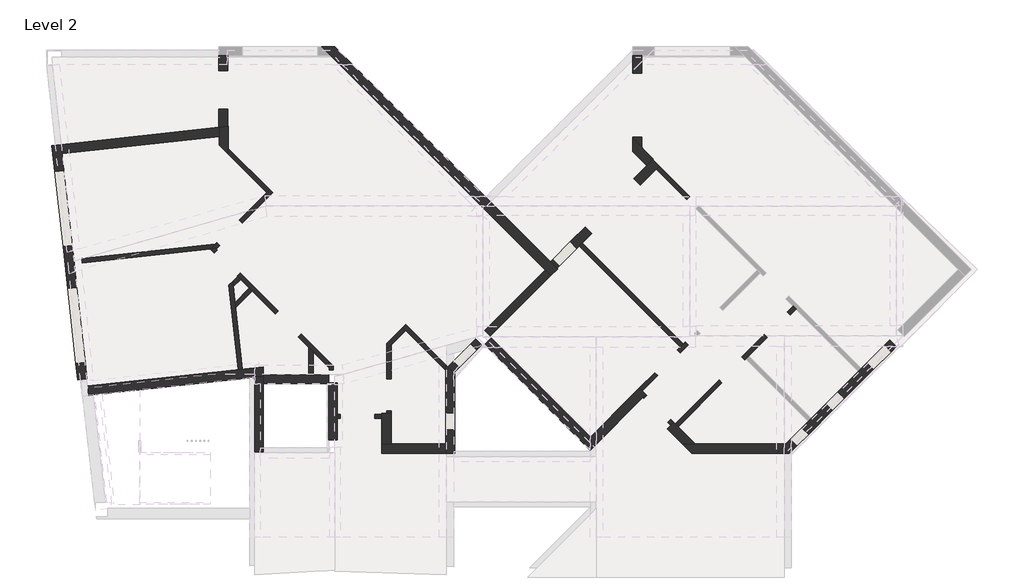
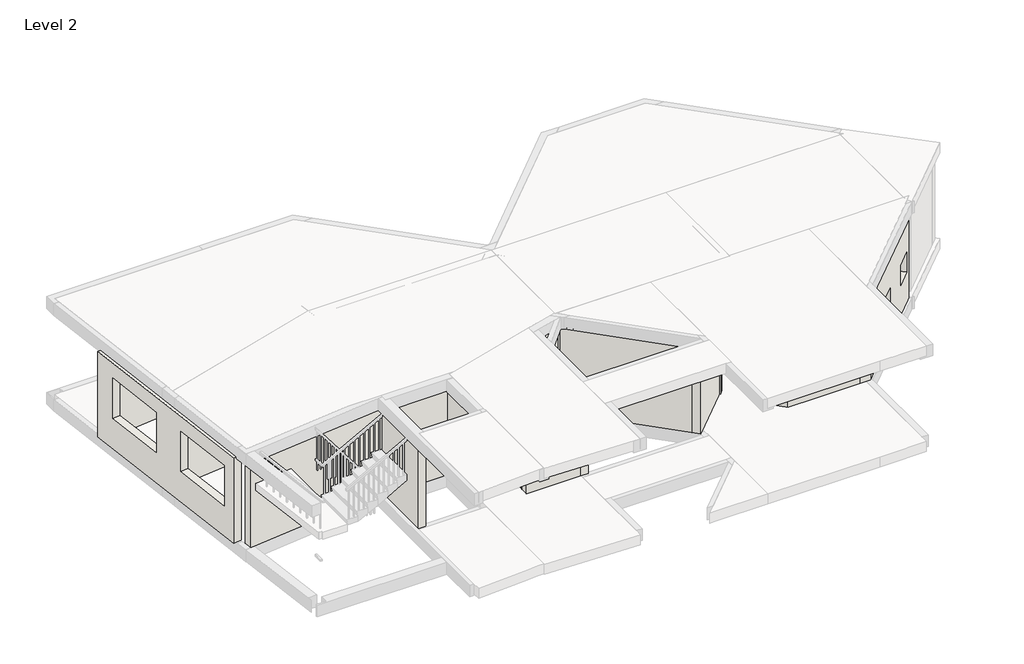
# One storey, part 1 of 5: 41 walls.
"""IFC4 building model written with IfcOpenShell, lengths in millimetres."""

from ifc_helpers import new_model, si_unit, frame, origin, place, context, project, spatial, polyline, outline, extrude, faceted_brep, element, save

model = new_model("IFC4")

# Units and contexts
model_context = context("Model", 3, world=origin())
ifc_project = project(units=[si_unit("LENGTHUNIT", "METRE", prefix="MILLI")], contexts=[model_context])

# Site, building, storey
site = spatial("IfcSite", under=ifc_project)
building = spatial("IfcBuilding", under=site)
storey = spatial("IfcBuildingStorey", under=building, Name="Level 2", Elevation=4250.0)

# Walls
placement = place(None, origin())
element("IfcWall", 1, ObjectType="Generic - 100mm 2", at=placement, inside=storey, context=model_context, shape_type="Brep", body=[
    faceted_brep([(9297.1083101, -7295.310753, 4250.0), (8344.8432612, -6343.045704, 4250.0), (8344.8432612, -6343.045704, 6800.0), (9297.1083101, -7295.310753, 6800.0), (9297.1083101, -7436.7321093, 4250.0), (9297.1083101, -7436.7321093, 6800.0), (8344.8432612, -6484.4670603, 6800.0), (8274.132583, -6413.7563821, 6800.0), (8274.132583, -6413.7563821, 4250.0), (8344.8432612, -6484.4670603, 4250.0)], [[[0, 1, 2, 3]], [[4, 5, 6, 7, 8, 9]], [[1, 0, 4, 9, 8]], [[3, 2, 7, 6, 5]], [[0, 3, 5, 4]], [[2, 1, 8, 7]]]),
])
element("IfcWall", 2, ObjectType="Generic - 100mm 2", at=placement, inside=storey, context=model_context, shape_type="Brep", body=[
    faceted_brep([(8274.132583, -6413.7563821, 4250.0), (7902.0578038, -6785.8311614, 4250.0), (7902.0578038, -6785.8311614, 6800.0), (8274.132583, -6413.7563821, 6800.0), (8344.8432612, -6484.4670603, 4250.0), (8344.8432612, -6484.4670603, 6800.0), (8002.0578038, -6827.2525176, 6800.0), (7902.0578038, -6927.2525176, 6800.0), (7902.0578038, -6927.2525176, 4250.0), (8002.0578038, -6827.2525176, 4250.0)], [[[0, 1, 2, 3]], [[4, 5, 6, 7, 8, 9]], [[1, 0, 4, 9, 8]], [[3, 2, 7, 6, 5]], [[0, 3, 5, 4]], [[2, 1, 8, 7]]]),
])
element("IfcWall", 3, ObjectType="Generic - 100mm 2", at=placement, inside=storey, context=model_context, shape_type="Brep", body=[
    faceted_brep([(7902.0578038, -8390.4135995, 6384.0), (7902.0578038, -8390.4135995, 4250.0), (7902.0578038, -8450.4135995, 4250.0), (7902.0578038, -8450.4135995, 6800.0), (7902.0578038, -6927.2525176, 6800.0), (7902.0578038, -6927.2525176, 4250.0), (7902.0578038, -7628.4135995, 4250.0), (7902.0578038, -7628.4135995, 6384.0), (8002.0578038, -8450.4135995, 4250.0), (8002.0578038, -8390.4135995, 4250.0), (8002.0578038, -8390.4135995, 6384.0), (8002.0578038, -7628.4135995, 6384.0), (8002.0578038, -7628.4135995, 4250.0), (8002.0578038, -6827.2525176, 4250.0), (8002.0578038, -6827.2525176, 6800.0), (8002.0578038, -8450.4135995, 6800.0)], [[[0, 1, 2, 3, 4, 5, 6, 7]], [[8, 9, 10, 11, 12, 13, 14, 15]], [[6, 5, 13, 12]], [[2, 1, 9, 8]], [[3, 2, 8, 15]], [[4, 3, 15, 14]], [[5, 4, 14, 13]], [[12, 11, 7, 6]], [[10, 9, 1, 0]], [[11, 10, 0, 7]]]),
])
element("IfcWall", 4, ObjectType="Generic - 100mm 2", at=placement, inside=storey, context=model_context, shape_type="Brep", body=[
    faceted_brep([(4463.6501436, -3919.476686, 6384.0), (4463.6501436, -3919.476686, 4250.0), (5184.8990604, -3198.2277691, 4250.0), (5184.8990604, -3198.2277691, 6800.0), (3862.5779702, -4520.5488594, 6800.0), (3862.5779702, -4520.5488594, 4250.0), (3924.8347764, -4458.2920532, 4250.0), (3924.8347764, -4458.2920532, 6384.0), (5114.1883823, -3127.517091, 4250.0), (5043.4777042, -3198.2277691, 4250.0), (4392.9394655, -3848.7660078, 4250.0), (4392.9394655, -3848.7660078, 6384.0), (3854.1240982, -4387.5813751, 6384.0), (3854.1240982, -4387.5813751, 4250.0), (3816.7212432, -4424.9842301, 4250.0), (3703.7066395, -4537.9988339, 4250.0), (3703.7066395, -4537.9988339, 6800.0), (3816.7212432, -4424.9842301, 6800.0), (5043.4777042, -3198.2277691, 6800.0), (5114.1883823, -3127.517091, 6800.0), (3824.4069755, -4524.7414527, 4250.0), (3824.4069755, -4524.7414527, 6800.0)], [[[0, 1, 2, 3, 4, 5, 6, 7]], [[8, 9, 10, 11, 12, 13, 14, 15, 16, 17, 18, 19]], [[6, 5, 20, 15, 14, 13]], [[2, 1, 10, 9, 8]], [[4, 3, 19, 18, 17, 16, 21]], [[3, 2, 8, 19]], [[5, 4, 21, 16, 15, 20]], [[13, 12, 7, 6]], [[11, 10, 1, 0]], [[12, 11, 0, 7]]]),
])
element("IfcWall", 5, ObjectType="Generic - 100mm 2", at=placement, inside=storey, context=model_context, shape_type="SweptSolid", body=[
    extrude(outline(polyline([(4135.2439393, -2148.572648), (5114.1883823, -3127.517091), (5043.4777042, -3198.2277691), (4135.2439393, -2289.9940042), (4135.2439393, -2148.572648)])), frame((0.0, 0.0, 4250.0), z_axis=(0.0, 0.0, 1.0), x_axis=(1.0, 0.0, 0.0)), (0.0, 0.0, 1.0), 2550.0),
])
element("IfcWall", 6, ObjectType="Generic - 100mm 2", at=placement, inside=storey, context=model_context, shape_type="Brep", body=[
    faceted_brep([(4464.964712, -7402.0054816, 4250.0), (4304.2548789, -5938.8408743, 4250.0), (4290.2588445, -5811.4155525, 4250.0), (4249.5399575, -5440.6950237, 4250.0), (4235.5439231, -5313.2697019, 4250.0), (4235.5439231, -5313.2697019, 6800.0), (4249.5399575, -5440.6950237, 6800.0), (4290.2588445, -5811.4155525, 6800.0), (4304.2548789, -5938.8408743, 6800.0), (4464.964712, -7402.0054816, 6800.0), (4365.5625184, -7412.9235354, 4250.0), (4365.5625184, -7412.9235354, 6800.0), (4144.8987312, -5403.9148938, 6800.0), (4144.8987312, -5403.9148938, 4250.0)], [[[0, 1, 2, 3, 4, 5, 6, 7, 8, 9]], [[10, 11, 12, 13]], [[4, 3, 2, 1, 0, 10, 13]], [[9, 8, 7, 6, 5, 12, 11]], [[0, 9, 11, 10]], [[5, 4, 13, 12]]]),
])
element("IfcWall", 7, ObjectType="Generic - 100mm 2", at=placement, inside=storey, context=model_context, shape_type="SweptSolid", body=[
    extrude(outline(polyline([(4424.2395739, -5265.9954073), (4249.5399575, -5440.6950237), (4235.5439231, -5313.2697019), (4353.5288957, -5195.2847292), (4424.2395739, -5265.9954073)])), frame((0.0, 0.0, 4250.0), z_axis=(0.0, 0.0, 1.0), x_axis=(1.0, 0.0, 0.0)), (0.0, 0.0, 1.0), 2550.0),
])
element("IfcWall", 8, ObjectType="Generic - 100mm 2", at=placement, inside=storey, context=model_context, shape_type="Brep", body=[
    faceted_brep([(4339.3867601, -5181.1425936, 4250.0), (4353.5288957, -5195.2847292, 4250.0), (4424.2395739, -5265.9954073, 4250.0), (4629.9592818, -5471.7151152, 4250.0), (4700.6699599, -5542.4257933, 4250.0), (5252.2132492, -6093.9690827, 4250.0), (5252.2132492, -6093.9690827, 6384.0), (5791.0286165, -6632.7844499, 6384.0), (5791.0286165, -6632.7844499, 4250.0), (6046.6810379, -6888.4368714, 4250.0), (6146.6810379, -6988.4368714, 4250.0), (6530.0027398, -7371.7585732, 4250.0), (6530.0027398, -7371.7585732, 6800.0), (6146.6810379, -6988.4368714, 6800.0), (6046.6810379, -6888.4368714, 6800.0), (4700.6699599, -5542.4257933, 6800.0), (4629.9592818, -5471.7151152, 6800.0), (4424.2395739, -5265.9954073, 6800.0), (4353.5288957, -5195.2847292, 6800.0), (3696.9816537, -4538.7374872, 6800.0), (3696.9816537, -4538.7374872, 4250.0), (3800.5713929, -4642.3272263, 4250.0), (3800.5713929, -4642.3272263, 6384.0), (4339.3867601, -5181.1425936, 6384.0), (5322.9239273, -6023.2584045, 6384.0), (5322.9239273, -6023.2584045, 4250.0), (4410.0974382, -5110.4319155, 4250.0), (4410.0974382, -5110.4319155, 6384.0), (3871.282071, -4571.6165482, 6384.0), (3871.282071, -4571.6165482, 4250.0), (3824.4069755, -4524.7414527, 4250.0), (3824.4069755, -4524.7414527, 6800.0), (6530.0027398, -7230.337217, 6800.0), (6530.0027398, -7230.337217, 4250.0), (5861.7392946, -6562.0737718, 4250.0), (5861.7392946, -6562.0737718, 6384.0), (3703.7066395, -4537.9988339, 4250.0), (3703.7066395, -4537.9988339, 6800.0)], [[[0, 1, 2, 3, 4, 5, 6, 7, 8, 9, 10, 11, 12, 13, 14, 15, 16, 17, 18, 19, 20, 21, 22, 23]], [[24, 25, 26, 27, 28, 29, 30, 31, 32, 33, 34, 35]], [[30, 29, 21, 20, 36]], [[34, 33, 11, 10, 9, 8]], [[26, 25, 5, 4, 3, 2, 1, 0]], [[19, 18, 17, 16, 15, 14, 13, 12, 32, 31, 37]], [[20, 19, 37, 31, 30, 36]], [[12, 11, 33, 32]], [[0, 23, 27, 26]], [[22, 21, 29, 28]], [[23, 22, 28, 27]], [[8, 7, 35, 34]], [[6, 5, 25, 24]], [[7, 6, 24, 35]]]),
])
element("IfcWall", 9, ObjectType="Generic - 100mm 2", at=placement, inside=storey, context=model_context, shape_type="SweptSolid", body=[
    extrude(outline(polyline([(4290.2588445, -5811.4155525), (4629.9592818, -5471.7151152), (4700.6699599, -5542.4257933), (4304.2548789, -5938.8408743), (4290.2588445, -5811.4155525)])), frame((0.0, 0.0, 4250.0), z_axis=(0.0, 0.0, 1.0), x_axis=(1.0, 0.0, 0.0)), (0.0, 0.0, 1.0), 2550.0),
])
element("IfcWall", 10, ObjectType="Generic - 100mm 2", at=placement, inside=storey, context=model_context, shape_type="SweptSolid", body=[
    extrude(outline(polyline([(6046.6810379, -7542.9559907), (6046.6810379, -6888.4368714), (6146.6810379, -6988.4368714), (6146.6810379, -7542.9559907), (6046.6810379, -7542.9559907)])), frame((0.0, 0.0, 4250.0), z_axis=(0.0, 0.0, 1.0), x_axis=(1.0, 0.0, 0.0)), (0.0, 0.0, 1.0), 2550.0),
])
element("IfcWall", 11, ObjectType="Generic - 100mm 2", at=placement, inside=storey, context=model_context, shape_type="SweptSolid", body=[
    extrude(outline(polyline([(14879.3413572, -6876.1729501), (12474.5704304, -4471.4020234), (12545.2811085, -4400.6913452), (14950.0520353, -6805.462272), (14879.3413572, -6876.1729501)])), frame((0.0, 0.0, 4250.0), z_axis=(0.0, 0.0, 1.0), x_axis=(1.0, 0.0, 0.0)), (0.0, 0.0, 1.0), 2550.0),
])
element("IfcWall", 12, ObjectType="Generic - 100mm 2", at=placement, inside=storey, context=model_context, shape_type="Brep", body=[
    faceted_brep([(13974.6049433, -7922.3307203, 4250.0), (14340.5259899, -7556.4096736, 4250.0), (14340.5259899, -7556.4096736, 6384.0), (14879.3413572, -7017.5943064, 6384.0), (14879.3413572, -7017.5943064, 4250.0), (15067.2951433, -6829.6405202, 4250.0), (15067.2951433, -6829.6405202, 6800.0), (13974.6049433, -7922.3307203, 6800.0), (14269.8153118, -7485.6989955, 6384.0), (14269.8153118, -7485.6989955, 4250.0), (13903.8942652, -7851.6200422, 4250.0), (13903.8942652, -7851.6200422, 6800.0), (14879.3413572, -6876.1729501, 6800.0), (14950.0520353, -6805.462272, 6800.0), (14996.5844652, -6758.9298421, 6800.0), (14996.5844652, -6758.9298421, 4250.0), (14950.0520353, -6805.462272, 4250.0), (14879.3413572, -6876.1729501, 4250.0), (14808.6306791, -6946.8836283, 4250.0), (14808.6306791, -6946.8836283, 6384.0)], [[[0, 1, 2, 3, 4, 5, 6, 7]], [[8, 9, 10, 11, 12, 13, 14, 15, 16, 17, 18, 19]], [[10, 9, 1, 0]], [[18, 17, 16, 15, 5, 4]], [[6, 5, 15, 14]], [[7, 6, 14, 13, 12, 11]], [[0, 7, 11, 10]], [[4, 3, 19, 18]], [[2, 1, 9, 8]], [[3, 2, 8, 19]]]),
])
element("IfcWall", 13, ObjectType="Generic - 100mm 2", at=placement, inside=storey, context=model_context, shape_type="SweptSolid", body=[
    extrude(outline(polyline([(14374.8248601, -2571.1475936), (15104.0585449, -3300.3812785), (15033.3478668, -3371.0919566), (14304.114182, -2641.8582718), (14374.8248601, -2571.1475936)])), frame((0.0, 0.0, 4250.0), z_axis=(0.0, 0.0, 1.0), x_axis=(1.0, 0.0, 0.0)), (0.0, 0.0, 1.0), 2550.0),
])
element("IfcWall", 14, ObjectType="Generic - 100mm 2", at=placement, inside=storey, context=model_context, shape_type="Brep", body=[
    faceted_brep([(657.088312, -4872.6307136, 4250.0), (3696.9816537, -4538.7374872, 4250.0), (3703.7066395, -4537.9988339, 4250.0), (3703.7066395, -4537.9988339, 6800.0), (3696.9816537, -4538.7374872, 6800.0), (657.088312, -4872.6307136, 6800.0), (646.1702582, -4773.22852, 4250.0), (646.1702582, -4773.22852, 6800.0), (3816.7212432, -4424.9842301, 6800.0), (3816.7212432, -4424.9842301, 4250.0)], [[[0, 1, 2, 3, 4, 5]], [[6, 7, 8, 9]], [[2, 1, 0, 6, 9]], [[5, 4, 3, 8, 7]], [[0, 5, 7, 6]], [[3, 2, 9, 8]]]),
])
element("IfcWall", 15, ObjectType="Generic - 100mm 2", at=placement, inside=storey, context=model_context, shape_type="Brep", body=[
    faceted_brep([(6630.0027398, -7423.5, 4250.0), (6630.0027398, -7330.337217, 4250.0), (6630.0027398, -7330.337217, 6800.0), (6630.0027398, -7423.5, 6800.0), (6530.0027398, -7423.5, 4250.0), (6530.0027398, -7423.5, 6800.0), (6530.0027398, -7371.7585732, 6800.0), (6530.0027398, -7230.337217, 6800.0), (6530.0027398, -7230.337217, 4250.0), (6530.0027398, -7371.7585732, 4250.0)], [[[0, 1, 2, 3]], [[4, 5, 6, 7, 8, 9]], [[1, 0, 4, 9, 8]], [[3, 2, 7, 6, 5]], [[0, 3, 5, 4]], [[2, 1, 8, 7]]]),
])
element("IfcWall", 16, ObjectType="Generic - 100mm 2", at=placement, inside=storey, context=model_context, shape_type="SweptSolid", body=[
    extrude(outline(polyline([(6384.0, 7609.2503828), (4250.0, 7609.2503828), (4250.0, 7782.6674864), (6800.0, 7782.6674864), (6800.0, 6716.2503828), (4250.0, 6716.2503828), (4250.0, 6796.2503828), (6384.0, 6796.2503828), (6384.0, 7609.2503828)])), frame((0.0, -8573.4565035, 0.0), z_axis=(0.0, 1.0, 0.0), x_axis=(0.0, 0.0, 1.0)), (0.0, 0.0, 1.0), 100.0),
])
element("IfcWall", 17, ObjectType="Generic - 100mm 2", at=placement, inside=storey, context=model_context, shape_type="SweptSolid", body=[
    extrude(outline(polyline([(-101.8555196, -2134.0), (-101.8555196, 0.0), (0.0, 0.0), (0.0, -2550.0), (-934.8555196, -2550.0), (-934.8555196, 0.0), (-914.8555196, 0.0), (-914.8555196, -2134.0), (-101.8555196, -2134.0)])), frame((14649.7897562, -8738.9368895, 4250.0), z_axis=(0.7071067811865492, 0.7071067811865459, 0.0), x_axis=(0.7071067811865459, -0.7071067811865492, 0.0)), (0.0, 0.0, 1.0), 100.0),
])
element("IfcWall", 18, ObjectType="Generic - 100mm 2", at=placement, inside=storey, context=model_context, shape_type="Brep", body=[
    faceted_brep([(16406.6920045, -7187.2999339, 6384.0), (16406.6920045, -7187.2999339, 4250.0), (16434.9762758, -7159.0156626, 4250.0), (16505.6869539, -7088.3049845, 4250.0), (16947.8872008, -6646.1047376, 4250.0), (16947.8872008, -6646.1047376, 6384.0), (17486.7025681, -6107.2893703, 6384.0), (17486.7025681, -6107.2893703, 4250.0), (17628.1239243, -5965.8680141, 4250.0), (17628.1239243, -5965.8680141, 6800.0), (16505.6869539, -7088.3049845, 6800.0), (16434.9762758, -7159.0156626, 6800.0), (14823.1330807, -8770.8588577, 6800.0), (14823.1330807, -8770.8588577, 4250.0), (15867.8766373, -7726.1153011, 4250.0), (15867.8766373, -7726.1153011, 6384.0), (16877.1765227, -6575.3940595, 4250.0), (16335.9813264, -7116.5892558, 4250.0), (16335.9813264, -7116.5892558, 6384.0), (15797.1659592, -7655.404623, 6384.0), (15797.1659592, -7655.404623, 4250.0), (14752.4224026, -8700.1481796, 4250.0), (14752.4224026, -8700.1481796, 6800.0), (17557.4132462, -5895.157336, 6800.0), (17557.4132462, -5895.157336, 4250.0), (17415.99189, -6036.5786922, 4250.0), (17415.99189, -6036.5786922, 6384.0), (16877.1765227, -6575.3940595, 6384.0)], [[[0, 1, 2, 3, 4, 5, 6, 7, 8, 9, 10, 11, 12, 13, 14, 15]], [[16, 17, 18, 19, 20, 21, 22, 23, 24, 25, 26, 27]], [[25, 24, 8, 7]], [[14, 13, 21, 20]], [[4, 3, 2, 1, 17, 16]], [[12, 11, 10, 9, 23, 22]], [[9, 8, 24, 23]], [[13, 12, 22, 21]], [[7, 6, 26, 25]], [[5, 4, 16, 27]], [[6, 5, 27, 26]], [[20, 19, 15, 14]], [[18, 17, 1, 0]], [[19, 18, 0, 15]]]),
])
element("IfcWall", 19, ObjectType="Generic - 200mm", at=placement, inside=storey, context=model_context, shape_type="Brep", body=[
    faceted_brep([(4960.9372499, -9370.0060063, 4250.0), (4960.9372499, -7742.9559907, 4250.0), (4960.9372499, -7568.8523541, 4250.0), (4960.9372499, -7568.8523541, 6800.0), (4960.9372499, -7742.9559907, 6800.0), (4960.9372499, -9370.0060063, 6800.0), (4760.9372499, -9370.0060063, 4250.0), (4760.9372499, -9370.0060063, 6800.0), (4760.9372499, -7590.8197845, 6800.0), (4760.9372499, -7590.8197845, 4250.0)], [[[0, 1, 2, 3, 4, 5]], [[6, 7, 8, 9]], [[2, 1, 0, 6, 9]], [[5, 4, 3, 8, 7]], [[0, 5, 7, 6]], [[3, 2, 9, 8]]]),
])
element("IfcWall", 20, ObjectType="Generic - 200mm", at=placement, inside=storey, context=model_context, shape_type="Brep", body=[
    faceted_brep([(6716.2503828, -9083.5, 4250.0), (6716.2503828, -8573.4565035, 4250.0), (6716.2503828, -8473.4565035, 4250.0), (6716.2503828, -7723.5, 4250.0), (6716.2503828, -7723.5, 6800.0), (6716.2503828, -8473.4565035, 6800.0), (6716.2503828, -8573.4565035, 6800.0), (6716.2503828, -9083.5, 6800.0), (6516.2503828, -9083.5, 4250.0), (6516.2503828, -9083.5, 6800.0), (6516.2503828, -7723.5, 6800.0), (6516.2503828, -7723.5, 4250.0)], [[[0, 1, 2, 3, 4, 5, 6, 7]], [[8, 9, 10, 11]], [[3, 2, 1, 0, 8, 11]], [[4, 3, 11, 10]], [[7, 6, 5, 4, 10, 9]], [[0, 7, 9, 8]]]),
])
element("IfcWall", 21, ObjectType="Generic - 200mm", at=placement, inside=storey, context=model_context, shape_type="Brep", body=[
    faceted_brep([(4960.9372499, -7742.9559907, 4250.0), (6514.0, -7742.9559907, 4250.0), (6514.0, -7742.9559907, 6800.0), (4960.9372499, -7742.9559907, 6800.0), (4960.9372499, -7542.9559907, 4250.0), (4960.9372499, -7542.9559907, 6800.0), (6046.6810379, -7542.9559907, 6800.0), (6146.6810379, -7542.9559907, 6800.0), (6514.0, -7542.9559907, 6800.0), (6514.0, -7542.9559907, 4250.0), (6146.6810379, -7542.9559907, 4250.0), (6046.6810379, -7542.9559907, 4250.0), (4960.9372499, -7568.8523541, 4250.0), (4960.9372499, -7568.8523541, 6800.0)], [[[0, 1, 2, 3]], [[4, 5, 6, 7, 8, 9, 10, 11]], [[1, 0, 12, 4, 11, 10, 9]], [[2, 1, 9, 8]], [[3, 2, 8, 7, 6, 5, 13]], [[0, 3, 13, 5, 4, 12]]]),
])
element("IfcWall", 22, ObjectType="Generic - 200mm", at=placement, inside=storey, context=model_context, shape_type="SweptSolid", body=[
    extrude(outline(polyline([(10222.7440347, -6475.7410456), (11661.1982151, -5037.2868652), (11802.6195713, -5178.7082215), (10364.165391, -6617.1624018), (10222.7440347, -6475.7410456)])), frame((0.0, 0.0, 4250.0), z_axis=(0.0, 0.0, 1.0), x_axis=(1.0, 0.0, 0.0)), (0.0, 0.0, 1.0), 2550.0),
])
element("IfcWall", 23, ObjectType="Generic - 200mm", at=placement, inside=storey, context=model_context, shape_type="SweptSolid", body=[
    extrude(outline(polyline([(-18.1074714, 0.0), (920.0, 0.0), (920.0, -2550.0), (-18.1074714, -2550.0), (-18.1074714, 0.0)]), holes=[polyline([(160.0, -1500.0), (760.0, -1500.0), (760.0, -900.0), (160.0, -900.0), (160.0, -1500.0)])]), frame((9504.3665908, -7476.961202, 4250.0), z_axis=(-0.7071067811865476, 0.7071067811865476, 0.0), x_axis=(0.7071067811865476, 0.7071067811865476, 0.0)), (0.0, 0.0, 1.0), 200.0),
])
element("IfcWall", 24, ObjectType="Generic - 220mm 2", at=placement, inside=storey, context=model_context, shape_type="Brep", body=[
    faceted_brep([(11958.1830632, -5023.1447296, 4250.0), (11940.5053937, -5005.4670601, 4250.0), (11784.9419018, -4849.9035682, 4250.0), (6659.0383336, 276.0, 4250.0), (6659.0383336, 276.0, 6800.0), (11784.9419018, -4849.9035682, 6800.0), (11940.5053937, -5005.4670601, 6800.0), (11958.1830632, -5023.1447296, 6800.0), (11802.6195713, -5178.7082215, 4250.0), (11802.6195713, -5178.7082215, 6800.0), (11661.1982151, -5037.2868652, 6800.0), (6567.9113499, 56.0, 6800.0), (6347.9113499, 276.0, 6800.0), (6347.9113499, 276.0, 4250.0), (6567.9113499, 56.0, 4250.0), (11661.1982151, -5037.2868652, 4250.0)], [[[0, 1, 2, 3, 4, 5, 6, 7]], [[8, 9, 10, 11, 12, 13, 14, 15]], [[3, 2, 1, 0, 8, 15, 14, 13]], [[7, 6, 5, 4, 12, 11, 10, 9]], [[0, 7, 9, 8]], [[4, 3, 13, 12]]]),
])
element("IfcWall", 25, ObjectType="Generic - 220mm 2", at=placement, inside=storey, context=model_context, shape_type="Brep", body=[
    faceted_brep([(19858.2638147, -6705.5766047, 4250.0), (19183.7588429, -7380.0815765, 4250.0), (19113.0481648, -7450.7922546, 4250.0), (17990.6111944, -8573.229225, 4250.0), (17919.9005163, -8643.9399031, 4250.0), (17380.3839159, -9183.4565035, 4250.0), (17160.3839159, -9403.4565035, 4250.0), (17160.3839159, -9403.4565035, 6800.0), (17380.3839159, -9183.4565035, 6800.0), (17919.9005163, -8643.9399031, 6800.0), (17990.6111944, -8573.229225, 6800.0), (19113.0481648, -7450.7922546, 6800.0), (19183.7588429, -7380.0815765, 6800.0), (19858.2638147, -6705.5766047, 6800.0), (19308.8792944, -7254.9611249, 5750.0), (19308.8792944, -7254.9611249, 5150.0), (19733.1433632, -6830.6970562, 5150.0), (19733.1433632, -6830.6970562, 5750.0), (17769.5452806, -8794.2951388, 5750.0), (17486.7025681, -9077.1378513, 5750.0), (17486.7025681, -9077.1378513, 5150.0), (17769.5452806, -8794.2951388, 5150.0), (18618.073418, -7945.7670014, 5750.0), (18335.2307055, -8228.6097139, 5750.0), (18335.2307055, -8228.6097139, 5150.0), (18618.073418, -7945.7670014, 5150.0), (20013.8273065, -6861.1400966, 4250.0), (20013.8273065, -6861.1400966, 6800.0), (17471.5108996, -9403.4565035, 6800.0), (17471.5108996, -9403.4565035, 4250.0), (19464.4427863, -7410.5246168, 5750.0), (19888.706855, -6986.2605481, 5750.0), (19888.706855, -6986.2605481, 5150.0), (19464.4427863, -7410.5246168, 5150.0), (17925.1087724, -8949.8586307, 5750.0), (17925.1087724, -8949.8586307, 5150.0), (17642.2660599, -9232.7013432, 5150.0), (17642.2660599, -9232.7013432, 5750.0), (18773.6369098, -8101.3304933, 5750.0), (18773.6369098, -8101.3304933, 5150.0), (18490.7941974, -8384.1732057, 5150.0), (18490.7941974, -8384.1732057, 5750.0)], [[[0, 1, 2, 3, 4, 5, 6, 7, 8, 9, 10, 11, 12, 13], [14, 15, 16, 17], [18, 19, 20, 21], [22, 23, 24, 25]], [[26, 27, 28, 29], [30, 31, 32, 33], [34, 35, 36, 37], [38, 39, 40, 41]], [[6, 5, 4, 3, 2, 1, 0, 26, 29]], [[13, 12, 11, 10, 9, 8, 7, 28, 27]], [[0, 13, 27, 26]], [[7, 6, 29, 28]], [[15, 14, 30, 33]], [[16, 15, 33, 32]], [[17, 16, 32, 31]], [[14, 17, 31, 30]], [[35, 34, 18, 21]], [[36, 35, 21, 20]], [[37, 36, 20, 19]], [[34, 37, 19, 18]], [[39, 38, 22, 25]], [[40, 39, 25, 24]], [[41, 40, 24, 23]], [[38, 41, 23, 22]]]),
])
element("IfcWall", 26, ObjectType="Generic - 220mm 2", at=placement, inside=storey, context=model_context, shape_type="Brep", body=[
    faceted_brep([(17380.3839159, -9183.4565035, 4250.0), (15235.7307265, -9183.4565035, 4250.0), (14924.6037428, -9183.4565035, 4250.0), (14924.6037428, -9183.4565035, 6800.0), (15235.7307265, -9183.4565035, 6800.0), (17380.3839159, -9183.4565035, 6800.0), (17160.3839159, -9403.4565035, 4250.0), (17160.3839159, -9403.4565035, 6800.0), (15144.6037428, -9403.4565035, 6800.0), (15144.6037428, -9403.4565035, 4250.0)], [[[0, 1, 2, 3, 4, 5]], [[6, 7, 8, 9]], [[2, 1, 0, 6, 9]], [[5, 4, 3, 8, 7]], [[0, 5, 7, 6]], [[3, 2, 9, 8]]]),
])
element("IfcWall", 27, ObjectType="Generic - 220mm 2", at=placement, inside=storey, context=model_context, shape_type="Brep", body=[
    faceted_brep([(15235.7307265, -9183.4565035, 4250.0), (14823.1330807, -8770.8588577, 4250.0), (14752.4224026, -8700.1481796, 4250.0), (14720.5004343, -8668.2262114, 4250.0), (14720.5004343, -8668.2262114, 6800.0), (14752.4224026, -8700.1481796, 6800.0), (14823.1330807, -8770.8588577, 6800.0), (15235.7307265, -9183.4565035, 6800.0), (14924.6037428, -9183.4565035, 4250.0), (14924.6037428, -9183.4565035, 6800.0), (14564.9369425, -8823.7897032, 6800.0), (14564.9369425, -8823.7897032, 4250.0), (14649.7897562, -8738.9368895, 4250.0), (14649.7897562, -8738.9368895, 6800.0)], [[[0, 1, 2, 3, 4, 5, 6, 7]], [[8, 9, 10, 11]], [[3, 2, 1, 0, 8, 11, 12]], [[4, 3, 12, 11, 10, 13]], [[7, 6, 5, 4, 13, 10, 9]], [[0, 7, 9, 8]]]),
])
element("IfcWall", 28, ObjectType="Generic - 220mm 2", at=placement, inside=storey, context=model_context, shape_type="Brep", body=[
    faceted_brep([(13903.8942652, -7851.6200422, 4250.0), (12736.8078102, -9018.7064971, 4250.0), (12581.2443183, -9174.269989, 4250.0), (12581.2443183, -9174.269989, 6800.0), (12736.8078102, -9018.7064971, 6800.0), (13903.8942652, -7851.6200422, 6800.0), (14059.457757, -8007.183534, 4250.0), (14059.457757, -8007.183534, 6800.0), (13988.7470789, -8077.8942121, 6800.0), (12736.8078102, -9329.8334809, 6800.0), (12736.8078102, -9329.8334809, 4250.0), (13988.7470789, -8077.8942121, 4250.0), (13974.6049433, -7922.3307203, 4250.0), (13974.6049433, -7922.3307203, 6800.0)], [[[0, 1, 2, 3, 4, 5]], [[6, 7, 8, 9, 10, 11]], [[2, 1, 0, 12, 6, 11, 10]], [[5, 4, 3, 9, 8, 7, 13]], [[0, 5, 13, 7, 6, 12]], [[3, 2, 10, 9]]]),
])
element("IfcWall", 29, ObjectType="Generic - 220mm 2", at=placement, inside=storey, context=model_context, shape_type="SweptSolid", body=[
    extrude(outline(polyline([(10380.3261693, -6662.2248563), (12736.8078102, -9018.7064971), (12581.2443183, -9174.269989), (10224.7626774, -6817.7883481), (10380.3261693, -6662.2248563)])), frame((0.0, 0.0, 4250.0), z_axis=(0.0, 0.0, 1.0), x_axis=(1.0, 0.0, 0.0)), (0.0, 0.0, 1.0), 2550.0),
])
element("IfcWall", 30, ObjectType="Generic - 220mm 2", at=placement, inside=storey, context=model_context, shape_type="Brep", body=[
    faceted_brep([(9297.1083101, -8450.4135995, 4250.0), (9297.1083101, -9183.4565035, 4250.0), (9297.1083101, -9403.4565035, 4250.0), (9297.1083101, -9403.4565035, 6800.0), (9297.1083101, -9183.4565035, 6800.0), (9297.1083101, -8450.4135995, 6800.0), (9297.1083101, -8450.4135995, 5750.0), (9297.1083101, -8843.4565035, 5750.0), (9297.1083101, -8843.4565035, 5150.0), (9297.1083101, -8450.4135995, 5150.0), (9517.1083101, -9403.4565035, 4250.0), (9517.1083101, -8450.4135995, 4250.0), (9517.1083101, -8450.4135995, 5150.0), (9517.1083101, -8843.4565035, 5150.0), (9517.1083101, -8843.4565035, 5750.0), (9517.1083101, -8450.4135995, 5750.0), (9517.1083101, -8450.4135995, 6800.0), (9517.1083101, -9403.4565035, 6800.0)], [[[0, 1, 2, 3, 4, 5, 6, 7, 8, 9]], [[10, 11, 12, 13, 14, 15, 16, 17]], [[2, 1, 0, 11, 10]], [[5, 4, 3, 17, 16]], [[5, 16, 15, 6]], [[11, 0, 9, 12]], [[3, 2, 10, 17]], [[8, 13, 12, 9]], [[13, 8, 7, 14]], [[14, 7, 6, 15]]]),
])
element("IfcWall", 31, ObjectType="Generic - 220mm 2", at=placement, inside=storey, context=model_context, shape_type="Brep", body=[
    faceted_brep([(9297.1083101, -9183.4565035, 4250.0), (8002.6674864, -9183.4565035, 4250.0), (7782.6674864, -9183.4565035, 4250.0), (7782.6674864, -9183.4565035, 6800.0), (8002.6674864, -9183.4565035, 6800.0), (9297.1083101, -9183.4565035, 6800.0), (9297.1083101, -9403.4565035, 4250.0), (9297.1083101, -9403.4565035, 6800.0), (7782.6674864, -9403.4565035, 6800.0), (7782.6674864, -9403.4565035, 4250.0)], [[[0, 1, 2, 3, 4, 5]], [[6, 7, 8, 9]], [[2, 1, 0, 6, 9]], [[5, 4, 3, 8, 7]], [[0, 5, 7, 6]], [[3, 2, 9, 8]]]),
])
element("IfcWall", 32, ObjectType="Generic - 220mm 2", at=placement, inside=storey, context=model_context, shape_type="Brep", body=[
    faceted_brep([(8002.6674864, -9183.4565035, 4250.0), (8002.6674864, -8450.4135995, 4250.0), (8002.6674864, -8450.4135995, 6800.0), (8002.6674864, -9183.4565035, 6800.0), (7782.6674864, -9183.4565035, 4250.0), (7782.6674864, -9183.4565035, 6800.0), (7782.6674864, -8573.4565035, 6800.0), (7782.6674864, -8473.4565035, 6800.0), (7782.6674864, -8450.4135995, 6800.0), (7782.6674864, -8450.4135995, 4250.0), (7782.6674864, -8473.4565035, 4250.0), (7782.6674864, -8573.4565035, 4250.0), (7902.0578038, -8450.4135995, 4250.0), (8002.0578038, -8450.4135995, 4250.0), (7902.0578038, -8450.4135995, 6800.0), (8002.0578038, -8450.4135995, 6800.0)], [[[0, 1, 2, 3]], [[4, 5, 6, 7, 8, 9, 10, 11]], [[1, 0, 4, 11, 10, 9, 12, 13]], [[2, 1, 13, 12, 9, 8, 14, 15]], [[3, 2, 15, 14, 8, 7, 6, 5]], [[0, 3, 5, 4]]]),
])
element("IfcWall", 33, ObjectType="Generic - 220mm 2", at=placement, inside=storey, context=model_context, shape_type="Brep", body=[
    faceted_brep([(816.2517548, -8024.092804, 4250.0), (4760.9372499, -7590.8197845, 4250.0), (4960.9372499, -7568.8523541, 4250.0), (4960.9372499, -7568.8523541, 6800.0), (4760.9372499, -7590.8197845, 6800.0), (816.2517548, -8024.092804, 6800.0), (792.2320364, -7805.407978, 4250.0), (792.2320364, -7805.407978, 6800.0), (4365.5625184, -7412.9235354, 6800.0), (4464.964712, -7402.0054816, 6800.0), (4960.9372499, -7347.5292707, 6800.0), (4960.9372499, -7347.5292707, 4250.0), (4464.964712, -7402.0054816, 4250.0), (4365.5625184, -7412.9235354, 4250.0), (4960.9372499, -7542.9559907, 4250.0), (4960.9372499, -7542.9559907, 6800.0)], [[[0, 1, 2, 3, 4, 5]], [[6, 7, 8, 9, 10, 11, 12, 13]], [[2, 1, 0, 6, 13, 12, 11, 14]], [[5, 4, 3, 15, 10, 9, 8, 7]], [[0, 5, 7, 6]], [[3, 2, 14, 11, 10, 15]]]),
])
element("IfcWall", 34, ObjectType="Generic - 220mm 2", at=placement, inside=storey, context=model_context, shape_type="Brep", body=[
    faceted_brep([(9517.1083101, -8450.4135995, 4250.0), (9517.1083101, -7515.310753, 4250.0), (9517.1083101, -7515.310753, 6800.0), (9517.1083101, -8450.4135995, 6800.0), (9517.1083101, -8450.4135995, 5750.0), (9517.1083101, -8443.4565035, 5750.0), (9517.1083101, -8443.4565035, 5150.0), (9517.1083101, -8450.4135995, 5150.0), (9297.1083101, -7295.310753, 4250.0), (9297.1083101, -7436.7321093, 4250.0), (9297.1083101, -8450.4135995, 4250.0), (9297.1083101, -8450.4135995, 5150.0), (9297.1083101, -8443.4565035, 5150.0), (9297.1083101, -8443.4565035, 5750.0), (9297.1083101, -8450.4135995, 5750.0), (9297.1083101, -8450.4135995, 6800.0), (9297.1083101, -7436.7321093, 6800.0), (9297.1083101, -7295.310753, 6800.0), (9350.1413187, -7348.3437616, 4250.0), (9491.562675, -7489.7651178, 4250.0), (9491.562675, -7489.7651178, 6800.0), (9350.1413187, -7348.3437616, 6800.0)], [[[0, 1, 2, 3, 4, 5, 6, 7]], [[8, 9, 10, 11, 12, 13, 14, 15, 16, 17]], [[1, 0, 10, 9, 8, 18, 19]], [[3, 2, 20, 21, 17, 16, 15]], [[3, 15, 14, 4]], [[10, 0, 7, 11]], [[2, 1, 19, 18, 8, 17, 21, 20]], [[5, 13, 12, 6]], [[6, 12, 11, 7]], [[13, 5, 4, 14]]]),
])
element("IfcWall", 35, ObjectType="Generic - 220mm 2", at=placement, inside=storey, context=model_context, shape_type="Brep", body=[
    faceted_brep([(768.7985682, -7631.4852646, 4250.0), (180.3152321, -2273.7048929, 4250.0), (156.2955137, -2055.0200669, 4250.0), (156.2955137, -2055.0200669, 6800.0), (180.3152321, -2273.7048929, 6800.0), (768.7985682, -7631.4852646, 6800.0), (223.9874475, -2671.3136675, 6350.0), (223.9874475, -2671.3136675, 5150.0), (420.5124165, -4460.553153, 5150.0), (420.5124165, -4460.553153, 6350.0), (726.2179238, -7243.814575, 6350.0), (529.6929548, -5454.5750894, 6350.0), (529.6929548, -5454.5750894, 5150.0), (726.2179238, -7243.814575, 5150.0), (-62.3889897, -2079.0427228, 4250.0), (550.1137422, -7655.504983, 4250.0), (550.1137422, -7655.504983, 6800.0), (-62.3889897, -2079.0427228, 6800.0), (5.3026215, -2695.3333859, 5150.0), (5.3026215, -2695.3333859, 6350.0), (201.8275904, -4484.5728715, 6350.0), (201.8275904, -4484.5728715, 5150.0), (507.5330978, -7267.8342934, 5150.0), (311.0081288, -5478.5948079, 5150.0), (311.0081288, -5478.5948079, 6350.0), (507.5330978, -7267.8342934, 6350.0)], [[[0, 1, 2, 3, 4, 5], [6, 7, 8, 9], [10, 11, 12, 13]], [[14, 15, 16, 17], [18, 19, 20, 21], [22, 23, 24, 25]], [[2, 1, 0, 15, 14]], [[5, 4, 3, 17, 16]], [[0, 5, 16, 15]], [[3, 2, 14, 17]], [[7, 6, 19, 18]], [[7, 18, 21, 8]], [[19, 6, 9, 20]], [[8, 21, 20, 9]], [[12, 11, 24, 23]], [[12, 23, 22, 13]], [[10, 25, 24, 11]], [[25, 10, 13, 22]]]),
])
element("IfcWall", 36, ObjectType="Generic - 220mm 2", at=placement, inside=storey, context=model_context, shape_type="Brep", body=[
    faceted_brep([(180.3152321, -2273.7048929, 4250.0), (3915.2439393, -1863.4201872, 4250.0), (3915.2439393, -1863.4201872, 6800.0), (180.3152321, -2273.7048929, 6800.0), (156.2955137, -2055.0200669, 4250.0), (156.2955137, -2055.0200669, 6800.0), (3902.9313453, -1643.4493248, 6800.0), (3915.2439393, -1642.0967772, 6800.0), (3915.2439393, -1642.0967772, 4250.0), (3902.9313453, -1643.4493248, 4250.0)], [[[0, 1, 2, 3]], [[4, 5, 6, 7, 8, 9]], [[1, 0, 4, 9, 8]], [[3, 2, 7, 6, 5]], [[0, 3, 5, 4]], [[2, 1, 8, 7]]]),
])
element("IfcWall", 37, ObjectType="Generic - 220mm 2", at=placement, inside=storey, context=model_context, shape_type="Brep", body=[
    faceted_brep([(4135.2439393, -2289.9940042, 4250.0), (4135.2439393, -2148.572648, 4250.0), (4135.2439393, -1617.929613, 4250.0), (4135.2439393, -1617.929613, 6800.0), (4135.2439393, -2148.572648, 6800.0), (4135.2439393, -2289.9940042, 6800.0), (3915.2439393, -2069.9940042, 4250.0), (3915.2439393, -2069.9940042, 6800.0), (3915.2439393, -1863.4201872, 6800.0), (3915.2439393, -1642.0967772, 6800.0), (3915.2439393, -1642.0967772, 4250.0), (3915.2439393, -1863.4201872, 4250.0), (4122.9313453, -1619.2821606, 4250.0), (4122.9313453, -1619.2821606, 6800.0)], [[[0, 1, 2, 3, 4, 5]], [[6, 7, 8, 9, 10, 11]], [[2, 1, 0, 6, 11, 10, 12]], [[5, 4, 3, 13, 9, 8, 7]], [[3, 2, 12, 10, 9, 13]], [[0, 5, 7, 6]]]),
])
element("IfcWall", 38, ObjectType="Generic - 220mm 2", at=placement, inside=storey, context=model_context, shape_type="Brep", body=[
    faceted_brep([(14374.8248601, -2571.1475936, 6800.0), (14304.114182, -2641.8582718, 6800.0), (12545.2811085, -4400.6913452, 6800.0), (12474.5704304, -4471.4020234, 6800.0), (11940.5053937, -5005.4670601, 6800.0), (11940.5053937, -5005.4670601, 4250.0), (12474.5704304, -4471.4020234, 4250.0), (12545.2811085, -4400.6913452, 4250.0), (12771.5552785, -4174.4171753, 4250.0), (12771.5552785, -4174.4171753, 6384.0), (13921.3109047, -3024.661549, 6384.0), (13921.3109047, -3024.661549, 4250.0), (14304.114182, -2641.8582718, 4250.0), (14374.8248601, -2571.1475936, 4250.0), (12419.6699464, -4526.3025074, 6650.0), (12419.6699464, -4526.3025074, 4850.0), (11995.4058777, -4950.5665761, 4850.0), (11995.4058777, -4950.5665761, 6650.0), (11784.9419018, -4849.9035682, 6800.0), (14078.2737647, -2556.5717053, 6800.0), (14219.2613682, -2415.5841018, 6800.0), (14219.2613682, -2415.5841018, 4250.0), (14078.2737647, -2556.5717053, 4250.0), (13765.7474128, -2869.0980572, 4250.0), (13765.7474128, -2869.0980572, 6384.0), (12615.9917866, -4018.8536834, 6384.0), (12615.9917866, -4018.8536834, 4250.0), (11784.9419018, -4849.9035682, 4250.0), (12264.1064545, -4370.7390155, 6650.0), (11839.8423858, -4795.0030842, 6650.0), (11839.8423858, -4795.0030842, 4850.0), (12264.1064545, -4370.7390155, 4850.0)], [[[0, 1, 2, 3, 4, 5, 6, 7, 8, 9, 10, 11, 12, 13], [14, 15, 16, 17]], [[18, 19, 20, 21, 22, 23, 24, 25, 26, 27], [28, 29, 30, 31]], [[21, 13, 12, 11, 23, 22]], [[5, 27, 26, 8, 7, 6]], [[4, 3, 2, 1, 0, 20, 19, 18]], [[0, 13, 21, 20]], [[5, 4, 18, 27]], [[11, 10, 24, 23]], [[9, 25, 24, 10]], [[25, 9, 8, 26]], [[15, 14, 28, 31]], [[16, 15, 31, 30]], [[17, 16, 30, 29]], [[14, 17, 29, 28]]]),
])
element("IfcWall", 39, ObjectType="Generic - 220mm 2", at=placement, inside=storey, context=model_context, shape_type="Brep", body=[
    faceted_brep([(14233.8372566, -2401.0082134, 4250.0), (13961.4481384, -2128.6190952, 4250.0), (13741.4481384, -1908.6190952, 4250.0), (13741.4481384, -1908.6190952, 6800.0), (13961.4481384, -2128.6190952, 6800.0), (14233.8372566, -2401.0082134, 6800.0), (14078.2737647, -2556.5717053, 4250.0), (14078.2737647, -2556.5717053, 6800.0), (13741.4481384, -2219.7460789, 6800.0), (13741.4481384, -2219.7460789, 4250.0), (14219.2613682, -2415.5841018, 4250.0), (14219.2613682, -2415.5841018, 6800.0)], [[[0, 1, 2, 3, 4, 5]], [[6, 7, 8, 9]], [[2, 1, 0, 10, 6, 9]], [[5, 4, 3, 8, 7, 11]], [[0, 5, 11, 7, 6, 10]], [[3, 2, 9, 8]]]),
])
element("IfcWall", 40, ObjectType="Generic - 220mm 2", at=placement, inside=storey, context=model_context, shape_type="Brep", body=[
    faceted_brep([(13741.4481384, -1908.6190952, 6800.0), (13741.4481384, 56.0, 6800.0), (13741.4481384, 56.0, 4250.0), (13741.4481384, -358.5, 4250.0), (13741.4481384, -358.5, 6282.0), (13741.4481384, -1882.5, 6282.0), (13741.4481384, -1882.5, 4250.0), (13741.4481384, -1908.6190952, 4250.0), (13961.4481384, 56.0, 6800.0), (13961.4481384, -2128.6190952, 6800.0), (13961.4481384, -2128.6190952, 4250.0), (13961.4481384, -1882.5, 4250.0), (13961.4481384, -1882.5, 6282.0), (13961.4481384, -358.5, 6282.0), (13961.4481384, -358.5, 4250.0), (13961.4481384, 56.0, 4250.0)], [[[0, 1, 2, 3, 4, 5, 6, 7]], [[8, 9, 10, 11, 12, 13, 14, 15]], [[10, 7, 6, 11]], [[2, 15, 14, 3]], [[1, 0, 9, 8]], [[0, 7, 10, 9]], [[2, 1, 8, 15]], [[4, 3, 14, 13]], [[4, 13, 12, 5]], [[5, 12, 11, 6]]]),
])
element("IfcWall", 41, ObjectType="Generic - 220mm 2", at=placement, inside=storey, context=model_context, shape_type="Brep", body=[
    faceted_brep([(4122.9313453, -294.0, 6384.0), (4122.9313453, -294.0, 4250.0), (4122.9313453, 56.0, 4250.0), (4122.9313453, 56.0, 6800.0), (4122.9313453, -1619.2821606, 6800.0), (4122.9313453, -1619.2821606, 4250.0), (4122.9313453, -1209.0, 4250.0), (4122.9313453, -1209.0, 6384.0), (3902.9313453, 56.0, 4250.0), (3902.9313453, -294.0, 4250.0), (3902.9313453, -294.0, 6384.0), (3902.9313453, -1209.0, 6384.0), (3902.9313453, -1209.0, 4250.0), (3902.9313453, -1643.4493248, 4250.0), (3902.9313453, -1643.4493248, 6800.0), (3902.9313453, 56.0, 6800.0), (3915.2439393, -1642.0967772, 4250.0), (3915.2439393, -1642.0967772, 6800.0)], [[[0, 1, 2, 3, 4, 5, 6, 7]], [[8, 9, 10, 11, 12, 13, 14, 15]], [[6, 5, 16, 13, 12]], [[2, 1, 9, 8]], [[4, 3, 15, 14, 17]], [[5, 4, 17, 14, 13, 16]], [[3, 2, 8, 15]], [[12, 11, 7, 6]], [[10, 9, 1, 0]], [[11, 10, 0, 7]]]),
])

save(model, "model.ifc")
